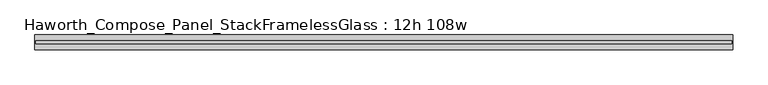
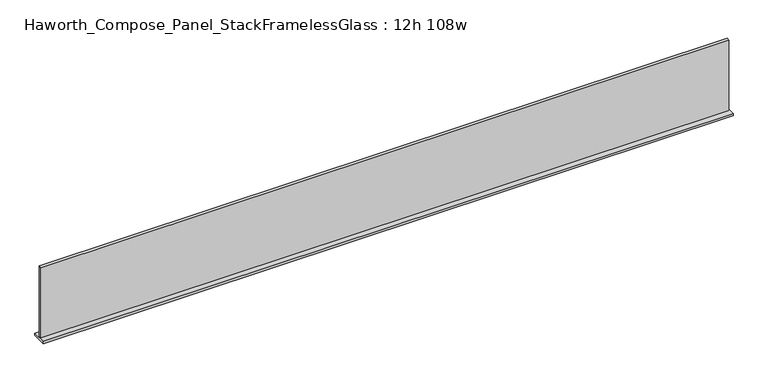
"""IFC4 building model written with IfcOpenShell, lengths in millimetres: furniture geometry, Haworth_Compose_Panel_StackFramelessGlass : 12h 108w."""

from ifc_helpers import new_model, si_unit, frame, origin, place, context, project, spatial, polyline, outline, extrude, source, transform, mapped, element, save


def haworth_compose_panel_stackframelessglass_12h_108w_b08ed928(model_context):
    return source(origin(), model_context, "Body", "SweptSolid", [
        extrude(outline(polyline([(1370.8652902, -27.3093594), (-1365.9847098, -27.3093594), (-1365.9847098, -14.6093594), (1370.8652902, -14.6093594), (1370.8652902, -27.3093594)])), frame((0.0, 0.0, 1279.525), z_axis=(0.0, 0.0, 1.0), x_axis=(1.0, 0.0, 0.0)), (0.0, 0.0, 1.0), 295.275),
        extrude(outline(polyline([(-1369.1597098, -50.3281094), (-1369.1597098, 8.4093906), (1374.0402902, 8.4093906), (1374.0402902, -50.3281094), (-1369.1597098, -50.3281094)])), frame((0.0, 0.0, 1270.0), z_axis=(0.0, 0.0, 1.0), x_axis=(1.0, 0.0, 0.0)), (0.0, 0.0, 1.0), 9.525),
    ])


if __name__ == "__main__":
    model = new_model("IFC4")
    model_context = context("Model", 3, world=origin())
    ifc_project = project(units=[si_unit("LENGTHUNIT", "METRE", prefix="MILLI")], contexts=[model_context])
    site = spatial("IfcSite", under=ifc_project)
    building = spatial("IfcBuilding", under=site)
    placement = place(None, origin())
    haworth_compose_panel_stackframelessglass_12h_108w_shape = haworth_compose_panel_stackframelessglass_12h_108w_b08ed928(model_context)
    element("IfcFurniture", 1, ObjectType="Haworth_Compose_Panel_StackFramelessGlass : 12h 108w", at=placement, inside=building, context=model_context, shape_type="MappedRepresentation", body=[
        mapped(haworth_compose_panel_stackframelessglass_12h_108w_shape, transform((0.0, 0.0, 0.0), x_axis=(1.0, 0.0, 0.0), y_axis=(0.0, 1.0, 0.0), z_axis=(0.0, 0.0, 1.0))),
    ])
    save(model, "model.ifc")
